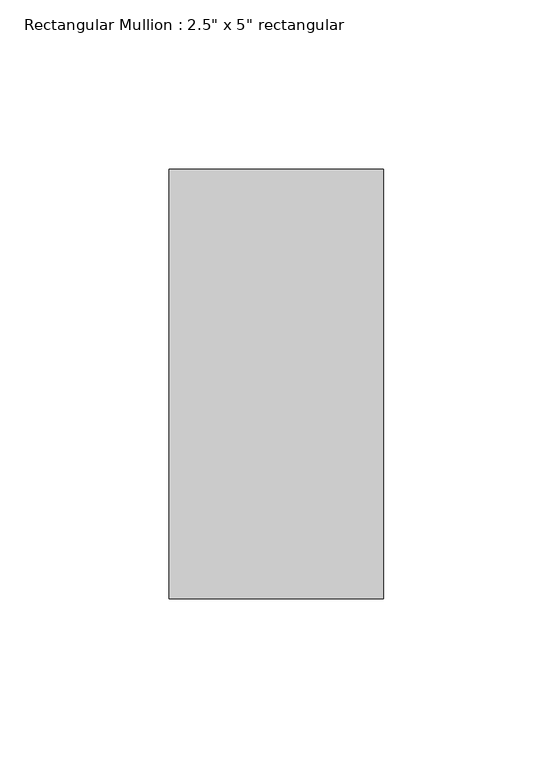
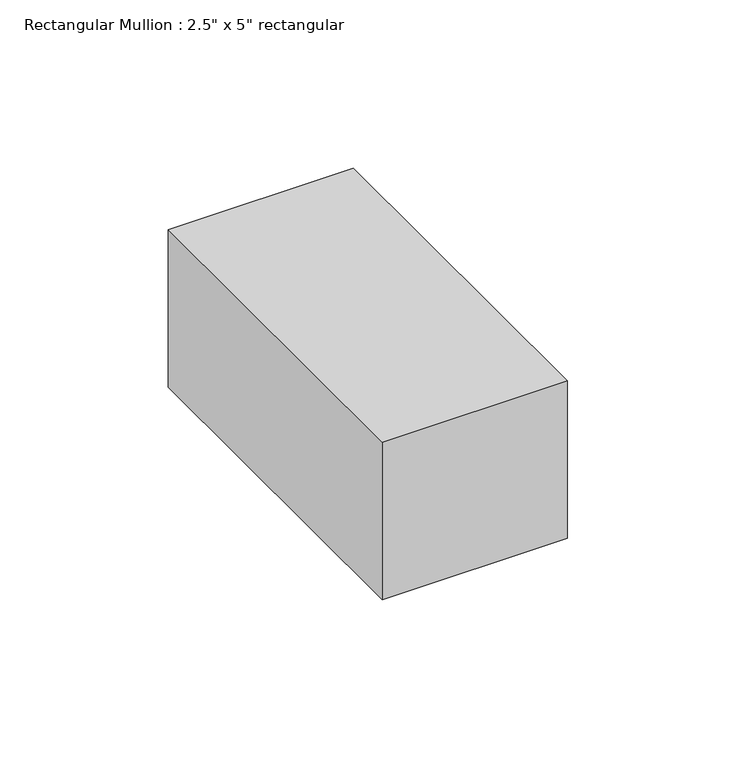
"""IFC4 building model written with IfcOpenShell, lengths in millimetres: member geometry."""

from ifc_helpers import new_model, si_unit, frame, origin, place, context, project, spatial, polyline, outline, extrude, source, transform, mapped, element, save


def member_35f02b64(model_context):
    return source(origin(), model_context, "Body", "SweptSolid", [
        extrude(outline(polyline([(0.0, 63.5), (0.0, -63.5), (-63.5, -63.5), (-63.5, 63.5), (0.0, 63.5)])), frame((0.0, 0.0, -57.15), z_axis=(0.0, 0.0, 1.0), x_axis=(1.0, 0.0, 0.0)), (0.0, 0.0, 1.0), 57.15),
    ])


if __name__ == "__main__":
    model = new_model("IFC4")
    model_context = context("Model", 3, world=origin())
    ifc_project = project(units=[si_unit("LENGTHUNIT", "METRE", prefix="MILLI")], contexts=[model_context])
    site = spatial("IfcSite", under=ifc_project)
    building = spatial("IfcBuilding", under=site)
    placement = place(None, origin())
    member_shape = member_35f02b64(model_context)
    element("IfcMember", 1, ObjectType="Rectangular Mullion : 2.5\" x 5\" rectangular", at=placement, inside=building, context=model_context, shape_type="MappedRepresentation", body=[
        mapped(member_shape, transform((0.0, 0.0, 0.0), x_axis=(1.0, 0.0, 0.0), y_axis=(0.0, 1.0, 0.0), z_axis=(0.0, 0.0, 1.0))),
    ])
    save(model, "model.ifc")
